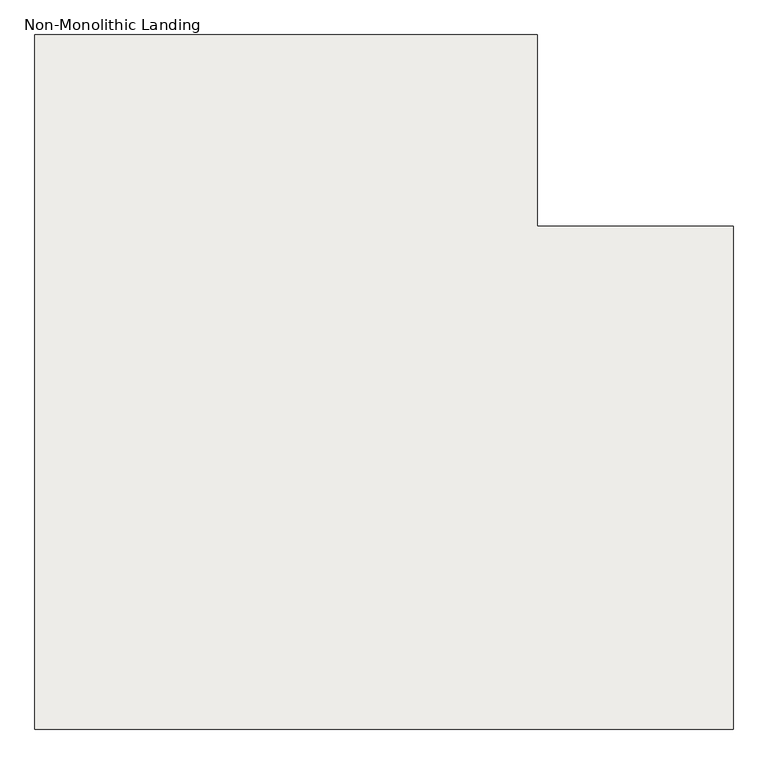
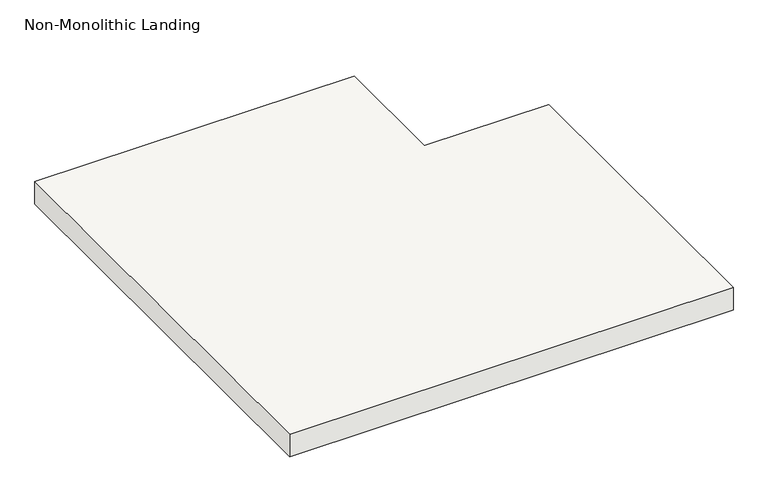
"""IFC4 building model written with IfcOpenShell, lengths in millimetres: slab geometry, Non-Monolithic Landing."""

from ifc_helpers import new_model, si_unit, frame, origin, place, context, project, spatial, polyline, outline, extrude, source, transform, mapped, element, save


def non_monolithic_landing_899664c1(model_context):
    return source(origin(), model_context, "Body", "SweptSolid", [
        extrude(outline(polyline([(-284343.3787537, 173576.4420048), (-284343.3787537, 173189.0920048), (-283947.7948094, 173189.0920048), (-283947.7948094, 172173.0920048), (-285359.3787537, 172173.0920048), (-285359.3787537, 173576.4420048), (-284343.3787537, 173576.4420048)])), frame((0.0, 0.0, -3016.552381), z_axis=(0.0, 0.0, 1.0), x_axis=(1.0, 0.0, 0.0)), (0.0, 0.0, 1.0), 76.2),
    ])


if __name__ == "__main__":
    model = new_model("IFC4")
    model_context = context("Model", 3, world=origin())
    ifc_project = project(units=[si_unit("LENGTHUNIT", "METRE", prefix="MILLI")], contexts=[model_context])
    site = spatial("IfcSite", under=ifc_project)
    building = spatial("IfcBuilding", under=site)
    placement = place(None, origin())
    non_monolithic_landing_shape = non_monolithic_landing_899664c1(model_context)
    element("IfcSlab", 1, ObjectType="Non-Monolithic Landing", at=placement, inside=building, context=model_context, shape_type="MappedRepresentation", body=[
        mapped(non_monolithic_landing_shape, transform((0.0, 0.0, 0.0), x_axis=(1.0, 0.0, 0.0), y_axis=(0.0, 1.0, 0.0), z_axis=(0.0, 0.0, 1.0))),
    ])
    save(model, "model.ifc")
